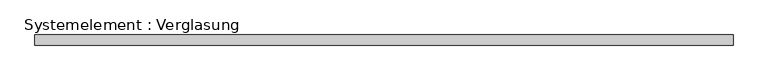
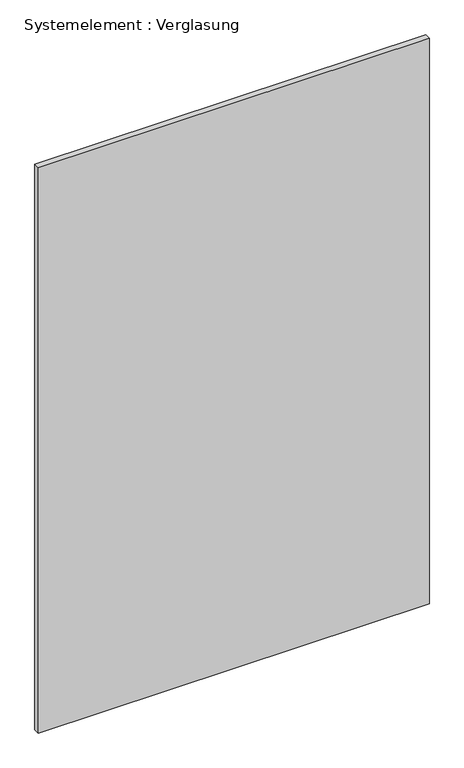
"""IFC4 building model written with IfcOpenShell, lengths in millimetres: plate geometry, Systemelement : Verglasung."""

from ifc_helpers import new_model, si_unit, origin, origin_with_axes, place, context, project, spatial, polyline, outline, extrude, source, transform, mapped, element, save


def systemelement_verglasung_03e99afe(model_context):
    return source(origin(), model_context, "Body", "SweptSolid", [
        extrude(outline(polyline([(995.0, -15.0), (-995.0, -15.0), (-995.0, 15.0), (995.0, 15.0), (995.0, -15.0)])), origin_with_axes(), (0.0, 0.0, 1.0), 3040.0),
    ])


if __name__ == "__main__":
    model = new_model("IFC4")
    model_context = context("Model", 3, world=origin())
    ifc_project = project(units=[si_unit("LENGTHUNIT", "METRE", prefix="MILLI")], contexts=[model_context])
    site = spatial("IfcSite", under=ifc_project)
    building = spatial("IfcBuilding", under=site)
    placement = place(None, origin())
    systemelement_verglasung_shape = systemelement_verglasung_03e99afe(model_context)
    element("IfcPlate", 1, ObjectType="Systemelement : Verglasung", at=placement, inside=building, context=model_context, shape_type="MappedRepresentation", body=[
        mapped(systemelement_verglasung_shape, transform((0.0, 0.0, 0.0), x_axis=(1.0, 0.0, 0.0), y_axis=(0.0, 1.0, 0.0), z_axis=(0.0, 0.0, 1.0))),
    ])
    save(model, "model.ifc")
